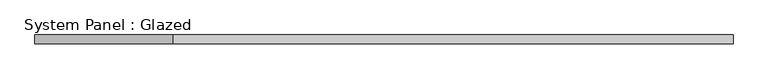
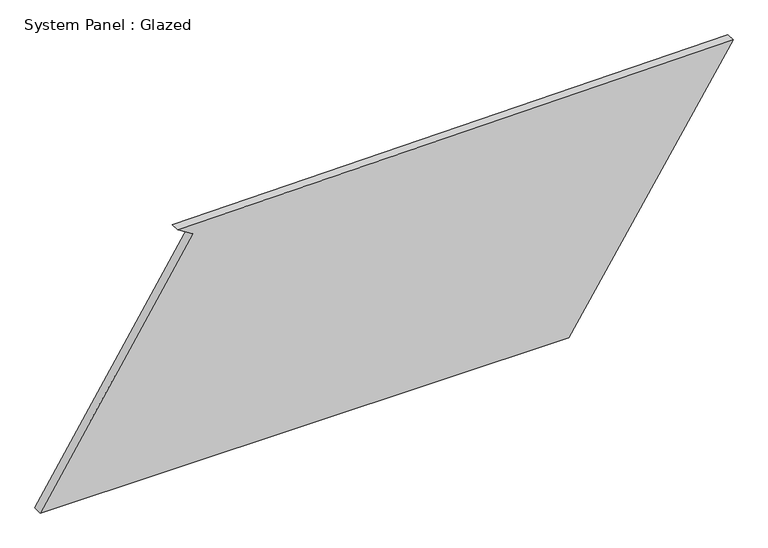
"""IFC4 building model written with IfcOpenShell, lengths in millimetres: plate geometry, System Panel : Glazed."""

from ifc_helpers import new_model, si_unit, frame, origin, place, context, project, spatial, polyline, outline, extrude, source, transform, mapped, element, save


def system_panel_glazed_b919c9dc(model_context):
    return source(origin(), model_context, "Body", "SweptSolid", [
        extrude(outline(polyline([(0.0, -980.6859596), (0.0, 515.3931249), (728.6469503, 980.6859596), (711.7111949, -591.4346425), (685.0607035, -549.12919), (0.0, -980.6859596)])), frame((0.0, -49.5, 0.0), z_axis=(0.0, 1.0, 0.0), x_axis=(0.0, 0.0, 1.0)), (0.0, 0.0, 1.0), 25.0),
    ])


if __name__ == "__main__":
    model = new_model("IFC4")
    model_context = context("Model", 3, world=origin())
    ifc_project = project(units=[si_unit("LENGTHUNIT", "METRE", prefix="MILLI")], contexts=[model_context])
    site = spatial("IfcSite", under=ifc_project)
    building = spatial("IfcBuilding", under=site)
    placement = place(None, origin())
    system_panel_glazed_shape = system_panel_glazed_b919c9dc(model_context)
    element("IfcPlate", 1, ObjectType="System Panel : Glazed", at=placement, inside=building, context=model_context, shape_type="MappedRepresentation", body=[
        mapped(system_panel_glazed_shape, transform((0.0, 0.0, 0.0), x_axis=(1.0, 0.0, 0.0), y_axis=(0.0, 1.0, 0.0), z_axis=(0.0, 0.0, 1.0))),
    ])
    save(model, "model.ifc")
